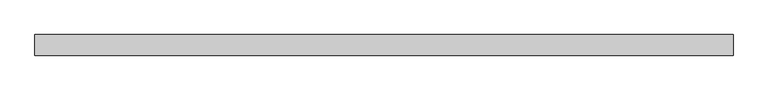
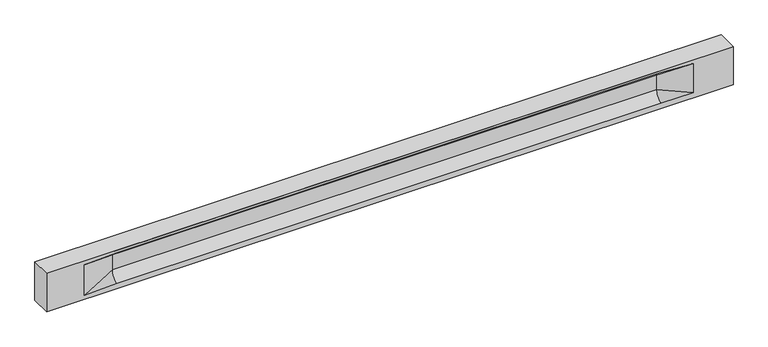
"""IFC4 building model written with IfcOpenShell, lengths in millimetres: beam geometry."""

from ifc_helpers import new_model, si_unit, frame, origin, place, context, project, spatial, polyline, circle_curve, source, transform, mapped, element, save
from ifc_brep_helpers import plane_surface, revolved_surface, spline_surface, advanced_brep


def beam_3dfb0fc1(model_context):
    return source(origin(), model_context, "Body", "AdvancedBrep", [
        advanced_brep(
        [(8450.0, -250.0, 500.0), (8450.0, -250.0, -500.0), (8450.0, 250.0, -500.0), (8450.0, 250.0, 500.0), (-8450.0, -250.0, 500.0), (-8450.0, -250.0, -500.0), (7475.0, -250.0, -362.0), (6675.0, -250.0, -360.0), (-6720.0, -250.0, -360.0), (-7520.0, -250.0, -400.0), (-7520.0, -250.0, 400.0), (-6720.0, -250.0, 435.0), (6675.0, -250.0, 435.0), (7475.0, -250.0, 400.0), (-8450.0, 250.0, -500.0), (-8450.0, 250.0, 500.0), (7475.0, 250.0, 400.0), (6675.0, 250.0, 435.0), (-6720.0, 250.0, 435.0), (-7520.0, 250.0, 400.0), (-7520.0, 250.0, -400.0), (-6720.0, 250.0, -360.0), (6675.0, 250.0, -360.0), (7475.0, 250.0, -362.0), (6675.0, 155.0, 405.0), (-6720.0, 155.0, 405.0), (6675.0, 60.0, 262.777021), (-6720.0, 60.0, 262.777021), (6675.0, 60.0, -120.0), (-6720.0, 60.0, -120.0), (6675.0, -60.0, -120.0), (-6720.0, -60.0, -120.0), (6675.0, -60.0, 262.777021), (-6720.0, -60.0, 262.777021), (6675.0, -155.0, 405.0), (-6720.0, -155.0, 405.0)],
        [
            (0, 1),
            (1, 2),
            (2, 3),
            (3, 0),
            (0, 4),
            (4, 5),
            (5, 1),
            (6, 7),
            (7, 8),
            (8, 9),
            (9, 10),
            (10, 11),
            (11, 12),
            (12, 13),
            (13, 6),
            (5, 14),
            (14, 2),
            (14, 15),
            (15, 3),
            (16, 17),
            (17, 18),
            (18, 19),
            (19, 20),
            (20, 21),
            (21, 22),
            (22, 23),
            (23, 16),
            (15, 4),
            (17, 24),
            (24, 25),
            (25, 18),
            (24, 26, circle_curve(frame((6675.0, 213.9598725, 262.777021), z_axis=(1.0, 0.0, 0.0), x_axis=(0.0, 1.0, 0.0)), 153.9598725)),
            (26, 27),
            (27, 25, circle_curve(frame((-6720.0, 213.9598725, 262.777021), z_axis=(-1.0, 0.0, 0.0), x_axis=(0.0, 1.0, 0.0)), 153.9598725)),
            (26, 28),
            (28, 29),
            (29, 27),
            (28, 22, circle_curve(frame((6675.0, 306.5789474, -120.0), z_axis=(1.0, 0.0, 0.0), x_axis=(0.0, 1.0, 0.0)), 246.5789474)),
            (21, 29, circle_curve(frame((-6720.0, 306.5789474, -120.0), z_axis=(-1.0, 0.0, 0.0), x_axis=(0.0, 1.0, 0.0)), 246.5789474)),
            (7, 30, circle_curve(frame((6675.0, -306.5789474, -120.0), z_axis=(1.0, 0.0, 0.0), x_axis=(0.0, 1.0, 0.0)), 246.5789474)),
            (30, 31),
            (31, 8, circle_curve(frame((-6720.0, -306.5789474, -120.0), z_axis=(-1.0, 0.0, 0.0), x_axis=(0.0, 1.0, 0.0)), 246.5789474)),
            (30, 32),
            (32, 33),
            (33, 31),
            (32, 34, circle_curve(frame((6675.0, -213.9598725, 262.777021), z_axis=(1.0, 0.0, 0.0), x_axis=(0.0, 1.0, 0.0)), 153.9598725)),
            (34, 35),
            (35, 33, circle_curve(frame((-6720.0, -213.9598725, 262.777021), z_axis=(-1.0, 0.0, 0.0), x_axis=(0.0, 1.0, 0.0)), 153.9598725)),
            (34, 12),
            (11, 35),
            (27, 19),
            (19, 25),
            (10, 35),
            (10, 33),
            (9, 31),
            (20, 29),
            (34, 13),
            (32, 13),
            (30, 6),
            (28, 23),
            (26, 16),
            (24, 16),
        ],
        [
            plane_surface(frame((8450.0, 0.0, 0.0), z_axis=(1.0, 0.0, 0.0), x_axis=(0.0, 0.0, 1.0))),
            plane_surface(frame((8450.0, -250.0, 500.0), z_axis=(0.0, -1.0, 0.0), x_axis=(-1.0, 0.0, 0.0))),
            plane_surface(frame((8450.0, -250.0, -500.0), z_axis=(0.0, 0.0, -1.0), x_axis=(-1.0, 0.0, 0.0))),
            plane_surface(frame((8450.0, 250.0, -500.0), z_axis=(0.0, 1.0, 0.0), x_axis=(-1.0, 0.0, 0.0))),
            plane_surface(frame((8450.0, 250.0, 500.0), z_axis=(0.0, 0.0, 1.0), x_axis=(-1.0, 0.0, 0.0))),
            plane_surface(frame((-6720.0, 250.0, 435.0), z_axis=(0.0, 0.30113136793710954, -0.9535826651341378), x_axis=(1.0, 0.0, 0.0))),
            revolved_surface(polyline([(6675.0, 367.919745, 262.777021), (-6720.0, 367.919745, 262.777021)]), (-6720.0, 213.9598725, 262.777021), (1.0, 0.0, 0.0)),
            plane_surface(frame((-6720.0, 60.0, 262.777021), z_axis=(0.0, 1.0, 0.0), x_axis=(1.0, 0.0, 0.0))),
            revolved_surface(polyline([(6675.0, 553.1578948, -120.0), (-6720.0, 553.1578948, -120.0)]), (-6720.0, 306.5789474, -120.0), (1.0, 0.0, 0.0)),
            revolved_surface(polyline([(6675.0, -60.0, -120.0), (-6720.0, -60.0, -120.0)]), (-6720.0, -306.5789474, -120.0), (1.0, 0.0, 0.0)),
            plane_surface(frame((-6720.0, -60.0, -120.0), z_axis=(0.0, -1.0, 0.0), x_axis=(1.0, 0.0, 0.0))),
            revolved_surface(polyline([(6675.0, -60.0, 262.777021), (-6720.0, -60.0, 262.777021)]), (-6720.0, -213.9598725, 262.777021), (1.0, 0.0, 0.0)),
            plane_surface(frame((-6720.0, -155.0, 405.0), z_axis=(0.0, -0.30113136793710693, -0.9535826651341387), x_axis=(1.0, 0.0, 0.0))),
            spline_surface(2, 1, [[(-7520.0, 250.0, 400.0), (-6720.0, 60.0, 262.777021)], [(-7520.0, 250.0, 400.0), (-6720.0, 59.99999995452379, 365.6168572954922)], [(-7520.0, 250.0, 400.0), (-6720.0, 155.0, 405.0)]], [3, 3], [2, 2], [0.0, 1.0], [0.0, 1.0], weights=[[1.0, 1.0], [0.8315515921160737, 0.8315515921160737], [1.0, 1.0]]),
            plane_surface(frame((-7520.0, 250.0, 400.0), z_axis=(0.041682982855687944, 0.30086965068766386, -0.9527538938442265), x_axis=(0.0, 0.9535826651341378, 0.30113136793710954))),
            plane_surface(frame((-7520.0, -250.0, 400.0), z_axis=(0.041682982855687965, -0.30086965068766125, -0.9527538938442274), x_axis=(0.0, 0.9535826651341387, -0.30113136793710693))),
            spline_surface(2, 1, [[(-7520.0, -250.0, 400.0), (-6720.0, -155.0, 405.0)], [(-7520.0, -250.0, 400.0), (-6720.0, -60.00000008030692, 365.6168572114734)], [(-7520.0, -250.0, 400.0), (-6720.0, -60.0, 262.777021)]], [3, 3], [2, 2], [0.0, 1.0], [0.0, 1.0], weights=[[1.0, 1.0], [0.8315515924557569, 0.8315515924557569], [1.0, 1.0]]),
            plane_surface(frame((-7520.0, -250.0, 0.0), z_axis=(0.23107243079590054, -0.9729365507195594, 0.0), x_axis=(0.0, 0.0, -1.0))),
            spline_surface(2, 1, [[(-7520.0, -250.0, -400.0), (-6720.0, -60.0, -120.0)], [(-7520.0, -250.0, -400.0), (-6720.0, -59.99999998020837, -315.20833333333337)], [(-7520.0, -250.0, -400.0), (-6720.0, -250.0, -360.0)]], [3, 3], [2, 2], [0.0, 1.0], [0.0, 1.0], weights=[[1.0, 1.0], [0.7840458244617614, 0.7840458244617614], [1.0, 1.0]]),
            spline_surface(2, 1, [[(-7520.0, 250.0, -400.0), (-6720.0, 250.0, -360.0)], [(-7520.0, 250.0, -400.0), (-6720.0, 60.00000002887427, -315.20833329480604)], [(-7520.0, 250.0, -400.0), (-6720.0, 60.0, -120.0)]], [3, 3], [2, 2], [0.0, 1.0], [0.0, 1.0], weights=[[1.0, 1.0], [0.7840458245391329, 0.7840458245391329], [1.0, 1.0]]),
            plane_surface(frame((-7520.0, 250.0, 0.0), z_axis=(0.23107243079589623, 0.9729365507195604, 0.0), x_axis=(0.0, 0.0, 1.0))),
            plane_surface(frame((-8450.0, 0.0, 0.0), z_axis=(-1.0, 0.0, 0.0), x_axis=(0.0, 0.0, 1.0))),
            plane_surface(frame((6675.0, -202.5, 420.0), z_axis=(-0.041682982855687396, -0.30086965068766125, -0.9527538938442274), x_axis=(0.0, 0.9535826651341387, -0.30113136793710693))),
            spline_surface(2, 1, [[(6675.0, -155.0, 405.0), (7475.0, -250.0, 400.0)], [(6675.0, -60.00000008030692, 365.6168572114734), (7475.0, -250.0, 400.0)], [(6675.0, -60.0, 262.777021), (7475.0, -250.0, 400.0)]], [3, 3], [2, 2], [0.0, 1.0], [0.0, 1.0], weights=[[1.0, 1.0], [0.8315515924557569, 0.8315515924557569], [1.0, 1.0]]),
            plane_surface(frame((6675.0, -60.0, 71.3885105), z_axis=(-0.23107243079589707, -0.9729365507195603, 0.0), x_axis=(0.0, 0.0, -1.0))),
            spline_surface(2, 1, [[(6675.0, -60.0, -120.0), (7475.0, -250.0, -362.0)], [(6675.0, -59.99999998020837, -315.20833333333337), (7475.0, -250.0, -362.0)], [(6675.0, -250.0, -360.0), (7475.0, -250.0, -362.0)]], [3, 3], [2, 2], [0.0, 1.0], [0.0, 1.0], weights=[[1.0, 1.0], [0.7840458244617614, 0.7840458244617614], [1.0, 1.0]]),
            spline_surface(2, 1, [[(6675.0, 250.0, -360.0), (7475.0, 250.0, -362.0)], [(6675.0, 60.00000002887427, -315.20833329480604), (7475.0, 250.0, -362.0)], [(6675.0, 60.0, -120.0), (7475.0, 250.0, -362.0)]], [3, 3], [2, 2], [0.0, 1.0], [0.0, 1.0], weights=[[1.0, 1.0], [0.7840458245391329, 0.7840458245391329], [1.0, 1.0]]),
            plane_surface(frame((6675.0, 60.0, 71.3885105), z_axis=(-0.23107243079589063, 0.9729365507195618, 0.0), x_axis=(0.0, 0.0, 1.0))),
            spline_surface(2, 1, [[(6675.0, 60.0, 262.777021), (7475.0, 250.0, 400.0)], [(6675.0, 59.99999995452379, 365.6168572954922), (7475.0, 250.0, 400.0)], [(6675.0, 155.0, 405.0), (7475.0, 250.0, 400.0)]], [3, 3], [2, 2], [0.0, 1.0], [0.0, 1.0], weights=[[1.0, 1.0], [0.8315515921160737, 0.8315515921160737], [1.0, 1.0]]),
            plane_surface(frame((6675.0, 202.5, 420.0), z_axis=(-0.04168298285568666, 0.30086965068766386, -0.9527538938442265), x_axis=(0.0, 0.9535826651341378, 0.30113136793710954))),
        ],
        [
            (0, [[1, 2, 3, 4]]),
            (1, [[-1, 5, 6, 7], [8, 9, 10, 11, 12, 13, 14, 15]]),
            (2, [[-2, -7, 16, 17]]),
            (3, [[-3, -17, 18, 19], [20, 21, 22, 23, 24, 25, 26, 27]]),
            (4, [[-5, -4, -19, 28]]),
            (5, [[-21, 29, 30, 31]]),
            (6, [[-30, 32, 33, 34]]),
            (7, [[-33, 35, 36, 37]]),
            (8, [[-36, 38, -25, 39]]),
            (9, [[-9, 40, 41, 42]]),
            (10, [[-41, 43, 44, 45]]),
            (11, [[-44, 46, 47, 48]]),
            (12, [[-47, 49, -13, 50]]),
            (13, [[51, 52, -34]]),
            (14, [[-52, -22, -31]]),
            (15, [[-12, 53, -50]]),
            (16, [[-53, 54, -48]]),
            (17, [[-54, -11, 55, -45]]),
            (18, [[-55, -10, -42]]),
            (19, [[-24, 56, -39]]),
            (20, [[-51, -37, -56, -23]]),
            (21, [[-28, -18, -16, -6]]),
            (22, [[-14, -49, 57]]),
            (23, [[-57, -46, 58]]),
            (24, [[-58, -43, 59, -15]]),
            (25, [[-59, -40, -8]]),
            (26, [[-26, -38, 60]]),
            (27, [[-60, -35, 61, -27]]),
            (28, [[-61, -32, 62]]),
            (29, [[-62, -29, -20]]),
        ],
    ),
    ])


if __name__ == "__main__":
    model = new_model("IFC4")
    model_context = context("Model", 3, world=origin())
    ifc_project = project(units=[si_unit("LENGTHUNIT", "METRE", prefix="MILLI")], contexts=[model_context])
    site = spatial("IfcSite", under=ifc_project)
    building = spatial("IfcBuilding", under=site)
    placement = place(None, origin())
    beam_shape = beam_3dfb0fc1(model_context)
    element("IfcBeam", 1, at=placement, inside=building, context=model_context, shape_type="MappedRepresentation", body=[
        mapped(beam_shape, transform((0.0, 0.0, 0.0), x_axis=(1.0, 0.0, 0.0), y_axis=(0.0, 1.0, 0.0), z_axis=(0.0, 0.0, 1.0))),
    ])
    save(model, "model.ifc")
